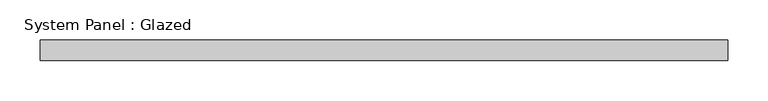
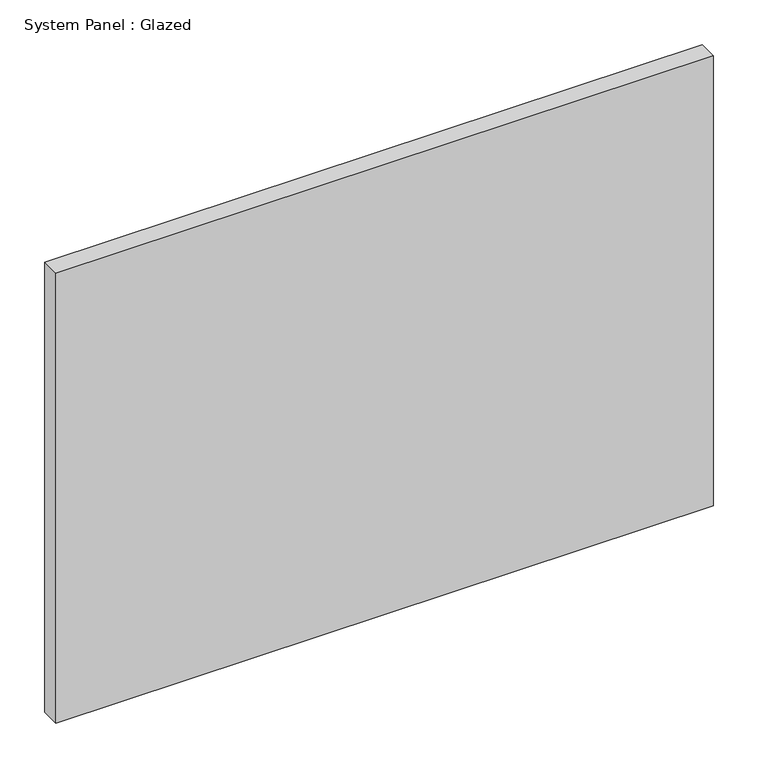
"""IFC4 building model written with IfcOpenShell, lengths in millimetres: plate geometry, System Panel : Glazed."""

from ifc_helpers import new_model, si_unit, origin, origin_with_axes, place, context, project, spatial, polyline, outline, extrude, source, transform, mapped, element, save


def system_panel_glazed_d2348db8(model_context):
    return source(origin(), model_context, "Body", "SweptSolid", [
        extrude(outline(polyline([(425.0, -49.5), (-425.0, -49.5), (-425.0, -24.5), (425.0, -24.5), (425.0, -49.5)])), origin_with_axes(), (0.0, 0.0, 1.0), 615.0),
    ])


if __name__ == "__main__":
    model = new_model("IFC4")
    model_context = context("Model", 3, world=origin())
    ifc_project = project(units=[si_unit("LENGTHUNIT", "METRE", prefix="MILLI")], contexts=[model_context])
    site = spatial("IfcSite", under=ifc_project)
    building = spatial("IfcBuilding", under=site)
    placement = place(None, origin())
    system_panel_glazed_shape = system_panel_glazed_d2348db8(model_context)
    element("IfcPlate", 1, ObjectType="System Panel : Glazed", at=placement, inside=building, context=model_context, shape_type="MappedRepresentation", body=[
        mapped(system_panel_glazed_shape, transform((0.0, 0.0, 0.0), x_axis=(1.0, 0.0, 0.0), y_axis=(0.0, 1.0, 0.0), z_axis=(0.0, 0.0, 1.0))),
    ])
    save(model, "model.ifc")
